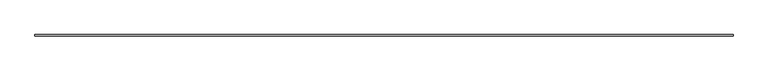
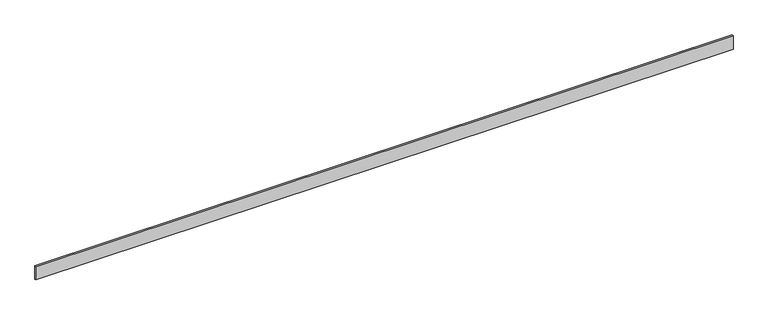
"""IFC4 building model written with IfcOpenShell, lengths in millimetres: furniture geometry."""

from ifc_helpers import new_model, si_unit, origin, origin_with_axes, place, context, project, spatial, polyline, outline, extrude, source, transform, mapped, element, save


def furniture_cd6cc6a2(model_context):
    return source(origin(), model_context, "Body", "SweptSolid", [
        extrude(outline(polyline([(0.0, 0.0), (0.0, 10.0), (4948.0, 10.0), (4948.0, 0.0), (0.0, 0.0)])), origin_with_axes(), (0.0, 0.0, 1.0), 100.0),
    ])


if __name__ == "__main__":
    model = new_model("IFC4")
    model_context = context("Model", 3, world=origin())
    ifc_project = project(units=[si_unit("LENGTHUNIT", "METRE", prefix="MILLI")], contexts=[model_context])
    site = spatial("IfcSite", under=ifc_project)
    building = spatial("IfcBuilding", under=site)
    placement = place(None, origin())
    furniture_shape = furniture_cd6cc6a2(model_context)
    element("IfcFurniture", 1, at=placement, inside=building, context=model_context, shape_type="MappedRepresentation", body=[
        mapped(furniture_shape, transform((0.0, 0.0, 0.0), x_axis=(1.0, 0.0, 0.0), y_axis=(0.0, 1.0, 0.0), z_axis=(0.0, 0.0, 1.0))),
    ])
    save(model, "model.ifc")
